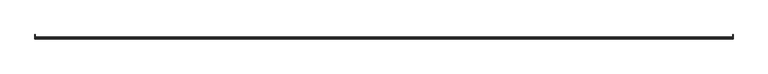
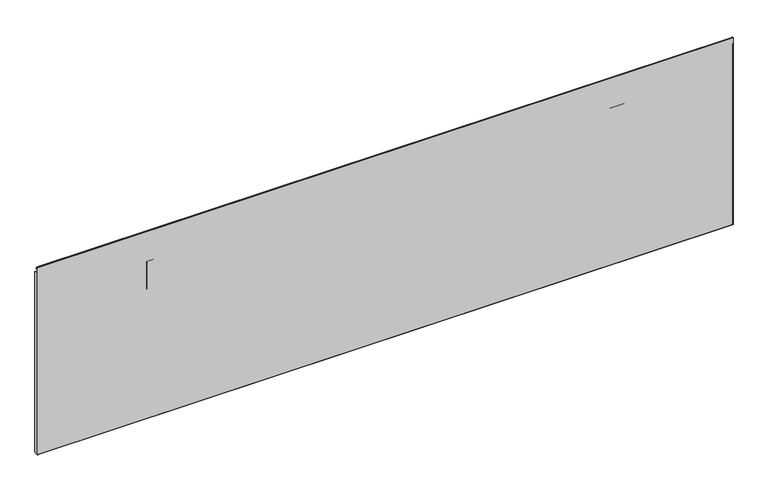
"""IFC4 building model written with IfcOpenShell, lengths in millimetres: furniture geometry."""

from ifc_helpers import new_model, si_unit, point, frame, frame_2d, origin, place, context, project, spatial, polyline, circle_curve, trimmed, segment, composite_curve, outline, extrude, source, transform, mapped, element, save


def furniture_96314849(model_context):
    return source(origin(), model_context, "Body", "SweptSolid", [
        extrude(outline(polyline([(1284.1298858, 2.5421123), (1284.1298858, 1.2721123), (1254.8541336, 1.2721123), (1254.8541336, 2.5421123), (1284.1298858, 2.5421123)])), frame((0.0, 0.0, 403.532212), z_axis=(0.0, 0.0, 1.0), x_axis=(1.0, 0.0, 0.0)), (0.0, 0.0, 1.0), 63.5),
        extrude(outline(polyline([(239.8702167, 1.2721123), (239.8702167, 2.5421123), (269.1459689, 2.5421123), (269.1459689, 1.2721123), (239.8702167, 1.2721123)])), frame((0.0, 0.0, 403.532212), z_axis=(0.0, 0.0, 1.0), x_axis=(1.0, 0.0, 0.0)), (0.0, 0.0, 1.0), 63.5),
        extrude(outline(composite_curve([segment(trimmed(circle_curve(frame_2d((8.4095119, 520.8810587)), 1.651), [point((8.4095119, 522.5320587))], [point((10.0605119, 520.8810587))], False, "CARTESIAN"), True, "CONTINUOUS"), segment(polyline([(10.0605119, 520.8810587), (10.0605119, 104.8366971)]), True, "CONTINUOUS"), segment(trimmed(circle_curve(frame_2d((8.4018919, 104.8366971)), 1.65862), [point((10.0605119, 104.8366971))], [point((8.4018919, 103.1780771))], False, "CARTESIAN"), True, "CONTINUOUS"), segment(polyline([(8.4018919, 103.1780771), (1.2721123, 103.1780771), (1.2721123, 522.5320587), (8.4095119, 522.5320587)]), True, "CONTINUOUS")], self_intersect=False)), frame((1522.6284097, 0.0, 0.0), z_axis=(1.0, 0.0, 0.0), x_axis=(0.0, 1.0, 0.0)), (0.0, 0.0, 1.0), 0.7366),
        extrude(outline(composite_curve([segment(trimmed(circle_curve(frame_2d((8.4095119, 520.8810587)), 1.651), [point((8.4095119, 522.5320587))], [point((10.0605119, 520.8810587))], False, "CARTESIAN"), True, "CONTINUOUS"), segment(polyline([(10.0605119, 520.8810587), (10.0605119, 104.8366971)]), True, "CONTINUOUS"), segment(trimmed(circle_curve(frame_2d((8.4018919, 104.8366971)), 1.65862), [point((10.0605119, 104.8366971))], [point((8.4018919, 103.1780771))], False, "CARTESIAN"), True, "CONTINUOUS"), segment(polyline([(8.4018919, 103.1780771), (1.2721123, 103.1780771), (1.2721123, 522.5320587), (8.4095119, 522.5320587)]), True, "CONTINUOUS")], self_intersect=False)), frame((0.6350928, 0.0, 0.0), z_axis=(1.0, 0.0, 0.0), x_axis=(0.0, 1.0, 0.0)), (0.0, 0.0, 1.0), 0.7365942),
        extrude(outline(composite_curve([segment(polyline([(5.2083792, 532.0391456), (4.5239572, 531.6440005), (2.0304576, 535.9628641)]), True, "CONTINUOUS"), segment(trimmed(circle_curve(frame_2d((1.6785084, 535.7596659)), 0.4063961), [point((2.0304576, 535.9628641))], [point((1.2721123, 535.7596659))], True, "CARTESIAN"), True, "CONTINUOUS"), segment(polyline([(1.2721123, 535.7596659), (1.2721123, 102.4414771), (0.5355123, 103.1780771), (0.5355123, 535.8670732), (1.3826821, 536.971112), (2.6683793, 536.4386227), (5.2083792, 532.0391456)]), True, "CONTINUOUS")], self_intersect=False)), frame((0.6350928, 0.0, 0.0), z_axis=(1.0, 0.0, 0.0), x_axis=(0.0, 1.0, 0.0)), (0.0, 0.0, 1.0), 1522.7299169),
    ])


if __name__ == "__main__":
    model = new_model("IFC4")
    model_context = context("Model", 3, world=origin())
    ifc_project = project(units=[si_unit("LENGTHUNIT", "METRE", prefix="MILLI")], contexts=[model_context])
    site = spatial("IfcSite", under=ifc_project)
    building = spatial("IfcBuilding", under=site)
    placement = place(None, origin())
    furniture_shape = furniture_96314849(model_context)
    element("IfcFurniture", 1, at=placement, inside=building, context=model_context, shape_type="MappedRepresentation", body=[
        mapped(furniture_shape, transform((0.0, 0.0, 0.0), x_axis=(1.0, 0.0, 0.0), y_axis=(0.0, 1.0, 0.0), z_axis=(0.0, 0.0, 1.0))),
    ])
    save(model, "model.ifc")
